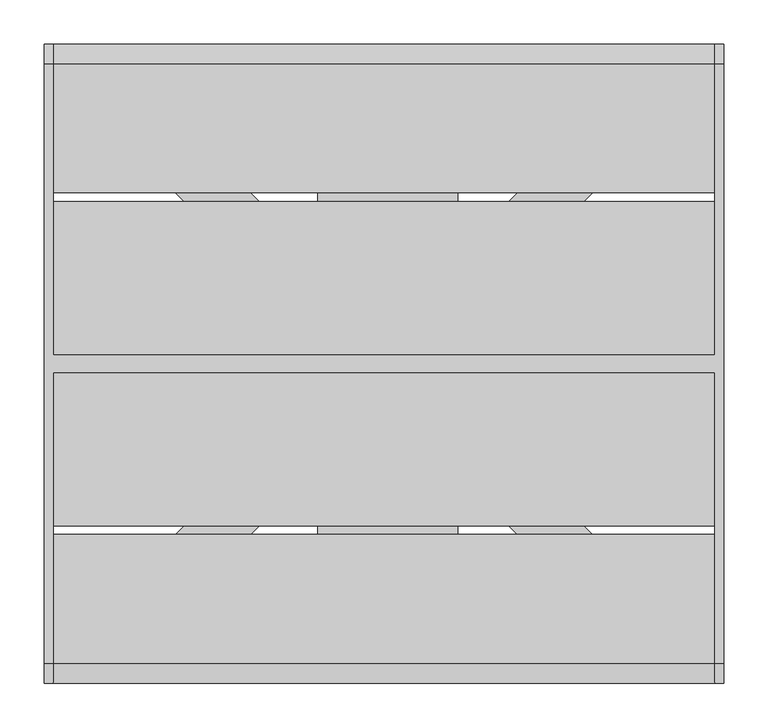
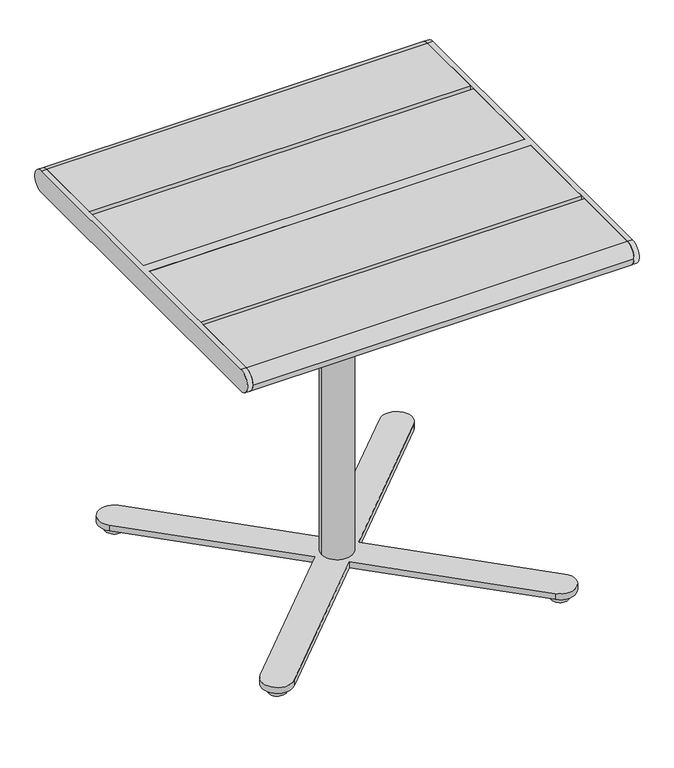
"""IFC4 building model written with IfcOpenShell, lengths in millimetres: furniture geometry."""

from ifc_helpers import new_model, si_unit, point, frame, frame_2d, origin, place, context, project, spatial, polyline, circle_curve, trimmed, segment, composite_curve, outline, extrude, source, transform, mapped, element, save
from ifc_brep_helpers import plane_surface, cylinder_surface, advanced_brep


def furniture_9a147792(model_context):
    return source(origin(), model_context, "Body", "SolidModel", [
        advanced_brep(
        [(-75.0, 125.0, 687.0), (-75.0, 125.0, 679.0), (-75.0, -125.0, 679.0), (-75.0, -125.0, 687.0), (-75.0, -299.0, 687.0), (-75.0, -299.0, 695.0), (-75.0, 299.0, 695.0), (-75.0, 299.0, 687.0), (75.0, 299.0, 687.0), (75.0, 125.0, 687.0), (83.0, 299.0, 695.0), (83.0, 299.0, 687.0), (83.0, -299.0, 695.0), (75.0, -299.0, 687.0), (83.0, -299.0, 687.0), (75.0, -125.0, 687.0), (75.0, -125.0, 679.0), (75.0, 125.0, 679.0), (-30.0, 0.0, 679.0), (30.0, 0.0, 679.0), (83.0, 45.0, 644.0), (83.0, -45.0, 644.0), (75.0, 45.0, 644.0), (75.0, -45.0, 644.0), (-30.0, 0.0, 27.0), (30.0, 0.0, 27.0), (-255.7867966, 298.2132034, 27.0), (-298.2132034, 255.7867966, 27.0), (-42.4264069, 0.0, 27.0), (-298.2132034, -255.7867966, 27.0), (-255.7867966, -298.2132034, 27.0), (0.0, -42.4264069, 27.0), (255.7867966, -298.2132034, 27.0), (298.2132034, -255.7867966, 27.0), (42.4264069, 0.0, 27.0), (298.2132034, 255.7867966, 27.0), (255.7867966, 298.2132034, 27.0), (0.0, 42.4264069, 27.0), (-255.7867966, 298.2132034, 15.0), (0.0, 42.4264069, 15.0), (255.7867966, 298.2132034, 15.0), (298.2132034, 255.7867966, 15.0), (42.4264069, 0.0, 15.0), (298.2132034, -255.7867966, 15.0), (255.7867966, -298.2132034, 15.0), (0.0, -42.4264069, 15.0), (-255.7867966, -298.2132034, 15.0), (-298.2132034, -255.7867966, 15.0), (-42.4264069, 0.0, 15.0), (-298.2132034, 255.7867966, 15.0), (-294.0, 277.0, 15.0), (-260.0, 277.0, 15.0), (260.0, -277.0, 15.0), (294.0, -277.0, 15.0), (294.0, 277.0, 15.0), (260.0, 277.0, 15.0), (-260.0, -277.0, 15.0), (-294.0, -277.0, 15.0), (-294.0, 277.0, 0.0), (-260.0, 277.0, 0.0), (260.0, -277.0, 0.0), (294.0, -277.0, 0.0), (294.0, 277.0, 0.0), (260.0, 277.0, 0.0), (-260.0, -277.0, 0.0), (-294.0, -277.0, 0.0)],
        [
            (0, 1),
            (1, 2),
            (2, 3),
            (3, 4),
            (4, 5),
            (5, 6),
            (6, 7),
            (7, 0),
            (7, 8),
            (8, 9),
            (9, 0),
            (6, 10),
            (10, 11),
            (11, 8),
            (5, 12),
            (12, 10),
            (4, 13),
            (13, 14),
            (14, 12),
            (3, 15),
            (15, 13),
            (2, 16),
            (16, 15),
            (1, 17),
            (17, 16),
            (18, 19, circle_curve(frame((0.0, 0.0, 679.0), z_axis=(0.0, 0.0, 1.0), x_axis=(1.0, 0.0, 0.0)), 30.0)),
            (19, 18, circle_curve(frame((0.0, 0.0, 679.0), z_axis=(0.0, 0.0, 1.0), x_axis=(1.0, 0.0, 0.0)), 30.0)),
            (9, 17),
            (20, 11),
            (14, 21),
            (21, 20),
            (22, 23),
            (23, 13),
            (8, 22),
            (20, 22),
            (23, 21),
            (18, 24),
            (24, 25, circle_curve(frame((0.0, 0.0, 27.0), z_axis=(0.0, 0.0, 1.0), x_axis=(1.0, 0.0, 0.0)), 30.0)),
            (25, 19),
            (25, 24, circle_curve(frame((0.0, 0.0, 27.0), z_axis=(0.0, 0.0, 1.0), x_axis=(1.0, 0.0, 0.0)), 30.0)),
            (26, 27, circle_curve(frame((-277.0, 277.0, 27.0), z_axis=(0.0, 0.0, 1.0), x_axis=(0.0, -1.0, 0.0)), 30.0)),
            (27, 28),
            (28, 29),
            (29, 30, circle_curve(frame((-277.0, -277.0, 27.0), z_axis=(0.0, 0.0, 1.0), x_axis=(1.0, 0.0, 0.0)), 30.0)),
            (30, 31),
            (31, 32),
            (32, 33, circle_curve(frame((277.0, -277.0, 27.0), z_axis=(0.0, 0.0, 1.0), x_axis=(1.0, 0.0, 0.0)), 30.0)),
            (33, 34),
            (34, 35),
            (35, 36, circle_curve(frame((277.0, 277.0, 27.0), z_axis=(0.0, 0.0, 1.0), x_axis=(0.0, -1.0, 0.0)), 30.0)),
            (36, 37),
            (37, 26),
            (38, 39),
            (39, 40),
            (40, 41, circle_curve(frame((277.0, 277.0, 15.0), z_axis=(0.0, 0.0, -1.0), x_axis=(0.0, -1.0, 0.0)), 30.0)),
            (41, 42),
            (42, 43),
            (43, 44, circle_curve(frame((277.0, -277.0, 15.0), z_axis=(0.0, 0.0, -1.0), x_axis=(1.0, 0.0, 0.0)), 30.0)),
            (44, 45),
            (45, 46),
            (46, 47, circle_curve(frame((-277.0, -277.0, 15.0), z_axis=(0.0, 0.0, -1.0), x_axis=(1.0, 0.0, 0.0)), 30.0)),
            (47, 48),
            (48, 49),
            (49, 38, circle_curve(frame((-277.0, 277.0, 15.0), z_axis=(0.0, 0.0, -1.0), x_axis=(0.0, -1.0, 0.0)), 30.0)),
            (50, 51, circle_curve(frame((-277.0, 277.0, 15.0), z_axis=(0.0, 0.0, 1.0), x_axis=(1.0, 0.0, 0.0)), 17.0)),
            (51, 50, circle_curve(frame((-277.0, 277.0, 15.0), z_axis=(0.0, 0.0, 1.0), x_axis=(1.0, 0.0, 0.0)), 17.0)),
            (52, 53, circle_curve(frame((277.0, -277.0, 15.0), z_axis=(0.0, 0.0, 1.0), x_axis=(1.0, 0.0, 0.0)), 17.0)),
            (53, 52, circle_curve(frame((277.0, -277.0, 15.0), z_axis=(0.0, 0.0, 1.0), x_axis=(1.0, 0.0, 0.0)), 17.0)),
            (54, 55, circle_curve(frame((277.0, 277.0, 15.0), z_axis=(0.0, 0.0, 1.0), x_axis=(-1.0, 0.0, 0.0)), 17.0)),
            (55, 54, circle_curve(frame((277.0, 277.0, 15.0), z_axis=(0.0, 0.0, 1.0), x_axis=(-1.0, 0.0, 0.0)), 17.0)),
            (56, 57, circle_curve(frame((-277.0, -277.0, 15.0), z_axis=(0.0, 0.0, 1.0), x_axis=(-1.0, 0.0, 0.0)), 17.0)),
            (57, 56, circle_curve(frame((-277.0, -277.0, 15.0), z_axis=(0.0, 0.0, 1.0), x_axis=(-1.0, 0.0, 0.0)), 17.0)),
            (26, 38),
            (49, 27),
            (48, 28),
            (47, 29),
            (46, 30),
            (45, 31),
            (44, 32),
            (43, 33),
            (42, 34),
            (41, 35),
            (40, 36),
            (39, 37),
            (58, 59, circle_curve(frame((-277.0, 277.0, 0.0), z_axis=(0.0, 0.0, -1.0), x_axis=(1.0, 0.0, 0.0)), 17.0)),
            (59, 58, circle_curve(frame((-277.0, 277.0, 0.0), z_axis=(0.0, 0.0, -1.0), x_axis=(1.0, 0.0, 0.0)), 17.0)),
            (60, 61, circle_curve(frame((277.0, -277.0, 0.0), z_axis=(0.0, 0.0, -1.0), x_axis=(1.0, 0.0, 0.0)), 17.0)),
            (61, 60, circle_curve(frame((277.0, -277.0, 0.0), z_axis=(0.0, 0.0, -1.0), x_axis=(1.0, 0.0, 0.0)), 17.0)),
            (62, 63, circle_curve(frame((277.0, 277.0, 0.0), z_axis=(0.0, 0.0, -1.0), x_axis=(-1.0, 0.0, 0.0)), 17.0)),
            (63, 62, circle_curve(frame((277.0, 277.0, 0.0), z_axis=(0.0, 0.0, -1.0), x_axis=(-1.0, 0.0, 0.0)), 17.0)),
            (64, 65, circle_curve(frame((-277.0, -277.0, 0.0), z_axis=(0.0, 0.0, -1.0), x_axis=(-1.0, 0.0, 0.0)), 17.0)),
            (65, 64, circle_curve(frame((-277.0, -277.0, 0.0), z_axis=(0.0, 0.0, -1.0), x_axis=(-1.0, 0.0, 0.0)), 17.0)),
            (59, 51),
            (50, 58),
            (61, 53),
            (52, 60),
            (63, 55),
            (54, 62),
            (65, 57),
            (56, 64),
        ],
        [
            plane_surface(frame((-75.0, 299.0, 687.0), z_axis=(-1.0, 0.0, 0.0), x_axis=(0.0, -1.0, 0.0))),
            plane_surface(frame((75.0, 125.0, 687.0), z_axis=(0.0, 0.0, -1.0), x_axis=(-1.0, 0.0, 0.0))),
            plane_surface(frame((75.0, 299.0, 687.0), z_axis=(0.0, 1.0, 0.0), x_axis=(-1.0, 0.0, 0.0))),
            plane_surface(frame((75.0, 299.0, 695.0), z_axis=(0.0, 0.0, 1.0), x_axis=(-1.0, 0.0, 0.0))),
            plane_surface(frame((75.0, -299.0, 695.0), z_axis=(0.0, -1.0, 0.0), x_axis=(-1.0, 0.0, 0.0))),
            plane_surface(frame((75.0, -299.0, 687.0), z_axis=(0.0, 0.0, -1.0), x_axis=(-1.0, 0.0, 0.0))),
            plane_surface(frame((75.0, -125.0, 687.0), z_axis=(0.0, -1.0, 0.0), x_axis=(-1.0, 0.0, 0.0))),
            plane_surface(frame((75.0, -125.0, 679.0), z_axis=(0.0, 0.0, -1.0), x_axis=(-1.0, 0.0, 0.0))),
            plane_surface(frame((75.0, 125.0, 679.0), z_axis=(0.0, 1.0, 0.0), x_axis=(-1.0, 0.0, 0.0))),
            plane_surface(frame((83.0, 299.0, 687.0), z_axis=(1.0, 0.0, 0.0), x_axis=(0.0, 0.9859710587294898, 0.1669163603360949))),
            plane_surface(frame((75.0, 299.0, 687.0), z_axis=(-1.0, 0.0, 0.0), x_axis=(0.0, -0.9859710587294898, -0.1669163603360949))),
            plane_surface(frame((83.0, 45.0, 644.0), z_axis=(0.0, 0.1669163603360949, -0.9859710587294898), x_axis=(-1.0, 0.0, 0.0))),
            plane_surface(frame((83.0, -299.0, 687.0), z_axis=(0.0, -0.16691636033609472, -0.9859710587294899), x_axis=(-1.0, 0.0, 0.0))),
            plane_surface(frame((83.0, -45.0, 644.0), z_axis=(0.0, 0.0, -1.0), x_axis=(-1.0, 0.0, 0.0))),
            cylinder_surface(frame((0.0, 0.0, 27.0), z_axis=(0.0, 0.0, 1.0), x_axis=(1.0, 0.0, 0.0)), 30.0),
            plane_surface(frame((-277.0, 247.0, 27.0), z_axis=(0.0, 0.0, 1.0), x_axis=(1.0, 0.0, 0.0))),
            plane_surface(frame((-277.0, 247.0, 15.0), z_axis=(0.0, 0.0, -1.0), x_axis=(-1.0, 0.0, 0.0))),
            cylinder_surface(frame((-277.0, 277.0, 15.0), z_axis=(0.0, 0.0, 1.0), x_axis=(0.0, -1.0, 0.0)), 30.0),
            plane_surface(frame((-298.2132034, 255.7867966, 27.0), z_axis=(-0.7071067811865474, -0.7071067811865478, 0.0), x_axis=(0.0, 0.0, -1.0))),
            plane_surface(frame((-42.4264069, 0.0, 27.0), z_axis=(-0.7071067811865475, 0.7071067811865477, 0.0), x_axis=(0.0, 0.0, -1.0))),
            cylinder_surface(frame((-277.0, -277.0, 15.0), z_axis=(0.0, 0.0, 1.0), x_axis=(1.0, 0.0, 0.0)), 30.0),
            plane_surface(frame((-255.7867966, -298.2132034, 27.0), z_axis=(0.7071067811865476, -0.7071067811865476, 0.0), x_axis=(0.0, 0.0, -1.0))),
            plane_surface(frame((0.0, -42.4264069, 27.0), z_axis=(-0.707106781186548, -0.707106781186547, 0.0), x_axis=(0.0, 0.0, -1.0))),
            cylinder_surface(frame((277.0, -277.0, 15.0), z_axis=(0.0, 0.0, 1.0), x_axis=(1.0, 0.0, 0.0)), 30.0),
            plane_surface(frame((298.2132034, -255.7867966, 27.0), z_axis=(0.7071067811865477, 0.7071067811865475, 0.0), x_axis=(0.0, 0.0, -1.0))),
            plane_surface(frame((42.4264069, 0.0, 27.0), z_axis=(0.7071067811865478, -0.7071067811865472, 0.0), x_axis=(0.0, 0.0, -1.0))),
            cylinder_surface(frame((277.0, 277.0, 15.0), z_axis=(0.0, 0.0, 1.0), x_axis=(0.0, -1.0, 0.0)), 30.0),
            plane_surface(frame((255.7867966, 298.2132034, 27.0), z_axis=(-0.7071067811865474, 0.7071067811865477, 0.0), x_axis=(0.0, 0.0, -1.0))),
            plane_surface(frame((0.0, 42.4264069, 27.0), z_axis=(0.7071067811865478, 0.7071067811865475, 0.0), x_axis=(0.0, 0.0, -1.0))),
            plane_surface(frame((-260.0, 277.0, 0.0), z_axis=(0.0, 0.0, -1.0), x_axis=(0.0, -1.0, 0.0))),
            cylinder_surface(frame((-277.0, 277.0, 0.0), z_axis=(0.0, 0.0, 1.0), x_axis=(1.0, 0.0, 0.0)), 17.0),
            cylinder_surface(frame((277.0, -277.0, 0.0), z_axis=(0.0, 0.0, 1.0), x_axis=(1.0, 0.0, 0.0)), 17.0),
            cylinder_surface(frame((277.0, 277.0, 0.0), z_axis=(0.0, 0.0, 1.0), x_axis=(-1.0, 0.0, 0.0)), 17.0),
            cylinder_surface(frame((-277.0, -277.0, 0.0), z_axis=(0.0, 0.0, 1.0), x_axis=(-1.0, 0.0, 0.0)), 17.0),
        ],
        [
            (0, [[1, 2, 3, 4, 5, 6, 7, 8]]),
            (1, [[-8, 9, 10, 11]]),
            (2, [[-7, 12, 13, 14, -9]]),
            (3, [[-6, 15, 16, -12]]),
            (4, [[-5, 17, 18, 19, -15]]),
            (5, [[-4, 20, 21, -17]]),
            (6, [[-3, 22, 23, -20]]),
            (7, [[-2, 24, 25, -22], [26, 27]]),
            (8, [[-1, -11, 28, -24]]),
            (9, [[29, -13, -16, -19, 30, 31]]),
            (10, [[32, 33, -21, -23, -25, -28, -10, 34]]),
            (11, [[-29, 35, -34, -14]]),
            (12, [[-30, -18, -33, 36]]),
            (13, [[-31, -36, -32, -35]]),
            (14, [[37, 38, 39, -26]]),
            (14, [[-37, -27, -39, 40]]),
            (15, [[41, 42, 43, 44, 45, 46, 47, 48, 49, 50, 51, 52], [-38, -40]]),
            (16, [[53, 54, 55, 56, 57, 58, 59, 60, 61, 62, 63, 64], [65, 66], [67, 68], [69, 70], [71, 72]]),
            (17, [[-41, 73, -64, 74]]),
            (18, [[-42, -74, -63, 75]]),
            (19, [[-43, -75, -62, 76]]),
            (20, [[-44, -76, -61, 77]]),
            (21, [[-45, -77, -60, 78]]),
            (22, [[-46, -78, -59, 79]]),
            (23, [[-47, -79, -58, 80]]),
            (24, [[-48, -80, -57, 81]]),
            (25, [[-49, -81, -56, 82]]),
            (26, [[-50, -82, -55, 83]]),
            (27, [[-51, -83, -54, 84]]),
            (28, [[-52, -84, -53, -73]]),
            (29, [[85, 86]]),
            (29, [[87, 88]]),
            (29, [[89, 90]]),
            (29, [[91, 92]]),
            (30, [[-86, 93, -65, 94]]),
            (30, [[-85, -94, -66, -93]]),
            (31, [[-88, 95, -67, 96]]),
            (31, [[-87, -96, -68, -95]]),
            (32, [[-90, 97, -69, 98]]),
            (32, [[-89, -98, -70, -97]]),
            (33, [[-92, 99, -71, 100]]),
            (33, [[-91, -100, -72, -99]]),
        ],
    ),
        advanced_brep(
        [(383.5, 338.5, 740.0), (383.5, -338.5, 740.0), (383.5, -338.5, 695.0), (383.5, 338.5, 695.0), (373.5, 338.5, 740.0), (373.5, 338.5, 695.0), (373.5, 10.0, 695.0), (373.5, 10.0, 740.0), (373.5, -338.5, 695.0), (373.5, -338.5, 740.0), (373.5, -10.0, 740.0), (373.5, -10.0, 695.0), (-373.5, 10.0, 740.0), (-373.5, 338.5, 740.0), (-383.5, 338.5, 740.0), (-383.5, -338.5, 740.0), (-373.5, -338.5, 740.0), (-373.5, -10.0, 740.0), (-373.5, -10.0, 695.0), (-373.5, -338.5, 695.0), (-383.5, -338.5, 695.0), (-383.5, 338.5, 695.0), (-373.5, 338.5, 695.0), (-373.5, 10.0, 695.0)],
        [
            (0, 1),
            (1, 2, circle_curve(frame((383.5, -338.5, 717.5), z_axis=(1.0, 0.0, 0.0), x_axis=(0.0, 1.0, 0.0)), 22.5)),
            (2, 3),
            (3, 0, circle_curve(frame((383.5, 338.5, 717.5), z_axis=(1.0, 0.0, 0.0), x_axis=(0.0, 1.0, 0.0)), 22.5)),
            (4, 5, circle_curve(frame((373.5, 338.5, 717.5), z_axis=(-1.0, 0.0, 0.0), x_axis=(0.0, 1.0, 0.0)), 22.5)),
            (5, 6),
            (6, 7),
            (7, 4),
            (8, 9, circle_curve(frame((373.5, -338.5, 717.5), z_axis=(-1.0, 0.0, 0.0), x_axis=(0.0, 1.0, 0.0)), 22.5)),
            (9, 10),
            (10, 11),
            (11, 8),
            (0, 4),
            (7, 12),
            (12, 13),
            (13, 14),
            (14, 15),
            (15, 16),
            (16, 17),
            (17, 10),
            (9, 1),
            (8, 2),
            (11, 18),
            (18, 19),
            (19, 20),
            (20, 21),
            (21, 22),
            (22, 23),
            (23, 6),
            (5, 3),
            (17, 18),
            (23, 12),
            (16, 19, circle_curve(frame((-373.5, -338.5, 717.5), z_axis=(1.0, 0.0, 0.0), x_axis=(0.0, 1.0, 0.0)), 22.5)),
            (22, 13, circle_curve(frame((-373.5, 338.5, 717.5), z_axis=(1.0, 0.0, 0.0), x_axis=(0.0, 1.0, 0.0)), 22.5)),
            (14, 21, circle_curve(frame((-383.5, 338.5, 717.5), z_axis=(-1.0, 0.0, 0.0), x_axis=(0.0, 1.0, 0.0)), 22.5)),
            (20, 15, circle_curve(frame((-383.5, -338.5, 717.5), z_axis=(-1.0, 0.0, 0.0), x_axis=(0.0, 1.0, 0.0)), 22.5)),
        ],
        [
            plane_surface(frame((383.5, -338.5, 740.0), z_axis=(1.0, 0.0, 0.0), x_axis=(0.0, -1.0, 0.0))),
            plane_surface(frame((373.5, -338.5, 740.0), z_axis=(-1.0, 0.0, 0.0), x_axis=(0.0, 1.0, 0.0))),
            plane_surface(frame((383.5, 338.5, 740.0), z_axis=(0.0, 0.0, 1.0), x_axis=(-1.0, 0.0, 0.0))),
            cylinder_surface(frame((373.5, -338.5, 717.5), z_axis=(1.0, 0.0, 0.0), x_axis=(0.0, 1.0, 0.0)), 22.5),
            plane_surface(frame((383.5, -338.5, 695.0), z_axis=(0.0, 0.0, -1.0), x_axis=(-1.0, 0.0, 0.0))),
            cylinder_surface(frame((373.5, 338.5, 717.5), z_axis=(1.0, 0.0, 0.0), x_axis=(0.0, 1.0, 0.0)), 22.5),
            plane_surface(frame((373.5, -10.0, 740.0), z_axis=(0.0, -1.0, 0.0), x_axis=(-1.0, 0.0, 0.0))),
            plane_surface(frame((373.5, 10.0, 695.0), z_axis=(0.0, 1.0, 0.0), x_axis=(-1.0, 0.0, 0.0))),
            plane_surface(frame((-373.5, -338.5, 740.0), z_axis=(1.0, 0.0, 0.0), x_axis=(0.0, -1.0, 0.0))),
            plane_surface(frame((-383.5, -338.5, 740.0), z_axis=(-1.0, 0.0, 0.0), x_axis=(0.0, 1.0, 0.0))),
            cylinder_surface(frame((-383.5, -338.5, 717.5), z_axis=(1.0, 0.0, 0.0), x_axis=(0.0, 1.0, 0.0)), 22.5),
            cylinder_surface(frame((-383.5, 338.5, 717.5), z_axis=(1.0, 0.0, 0.0), x_axis=(0.0, 1.0, 0.0)), 22.5),
        ],
        [
            (0, [[1, 2, 3, 4]]),
            (1, [[5, 6, 7, 8]]),
            (1, [[9, 10, 11, 12]]),
            (2, [[-1, 13, -8, 14, 15, 16, 17, 18, 19, 20, -10, 21]]),
            (3, [[-2, -21, -9, 22]]),
            (4, [[-3, -22, -12, 23, 24, 25, 26, 27, 28, 29, -6, 30]]),
            (5, [[-4, -30, -5, -13]]),
            (6, [[-20, 31, -23, -11]]),
            (7, [[-29, 32, -14, -7]]),
            (8, [[33, -24, -31, -19]]),
            (8, [[34, -15, -32, -28]]),
            (9, [[35, -26, 36, -17]]),
            (10, [[-33, -18, -36, -25]]),
            (11, [[-34, -27, -35, -16]]),
        ],
    ),
        extrude(outline(composite_curve([segment(trimmed(circle_curve(frame_2d((338.5, 717.5)), 22.5), [point((338.5, 740.0))], [point((338.5, 695.0))], False, "CARTESIAN"), True, "CONTINUOUS"), segment(polyline([(338.5, 695.0), (193.0, 695.0), (193.0, 740.0), (338.5, 740.0)]), True, "CONTINUOUS")], self_intersect=False)), frame((-373.5, 0.0, 0.0), z_axis=(1.0, 0.0, 0.0), x_axis=(0.0, 1.0, 0.0)), (0.0, 0.0, 1.0), 747.0),
        extrude(outline(composite_curve([segment(polyline([(-193.0, 695.0), (-338.5, 695.0)]), True, "CONTINUOUS"), segment(trimmed(circle_curve(frame_2d((-338.5, 717.5)), 22.5), [point((-338.5, 695.0))], [point((-361.0, 717.5))], False, "CARTESIAN"), True, "CONTINUOUS"), segment(trimmed(circle_curve(frame_2d((-338.5, 717.5)), 22.5), [point((-361.0, 717.5))], [point((-338.5, 740.0))], False, "CARTESIAN"), True, "CONTINUOUS"), segment(polyline([(-338.5, 740.0), (-193.0, 740.0), (-193.0, 695.0)]), True, "CONTINUOUS")], self_intersect=False)), frame((-373.5, 0.0, 0.0), z_axis=(1.0, 0.0, 0.0), x_axis=(0.0, 1.0, 0.0)), (0.0, 0.0, 1.0), 747.0),
        extrude(outline(polyline([(373.5, 183.0), (373.5, 10.0), (-373.5, 10.0), (-373.5, 183.0), (373.5, 183.0)])), frame((0.0, 0.0, 695.0), z_axis=(0.0, 0.0, 1.0), x_axis=(1.0, 0.0, 0.0)), (0.0, 0.0, 1.0), 45.0),
        extrude(outline(polyline([(373.5, -10.0), (373.5, -183.0), (-373.5, -183.0), (-373.5, -10.0), (373.5, -10.0)])), frame((0.0, 0.0, 695.0), z_axis=(0.0, 0.0, 1.0), x_axis=(1.0, 0.0, 0.0)), (0.0, 0.0, 1.0), 45.0),
    ])


if __name__ == "__main__":
    model = new_model("IFC4")
    model_context = context("Model", 3, world=origin())
    ifc_project = project(units=[si_unit("LENGTHUNIT", "METRE", prefix="MILLI")], contexts=[model_context])
    site = spatial("IfcSite", under=ifc_project)
    building = spatial("IfcBuilding", under=site)
    placement = place(None, origin())
    furniture_shape = furniture_9a147792(model_context)
    element("IfcFurniture", 1, at=placement, inside=building, context=model_context, shape_type="MappedRepresentation", body=[
        mapped(furniture_shape, transform((0.0, 0.0, 0.0), x_axis=(1.0, 0.0, 0.0), y_axis=(0.0, 1.0, 0.0), z_axis=(0.0, 0.0, 1.0))),
    ])
    save(model, "model.ifc")
